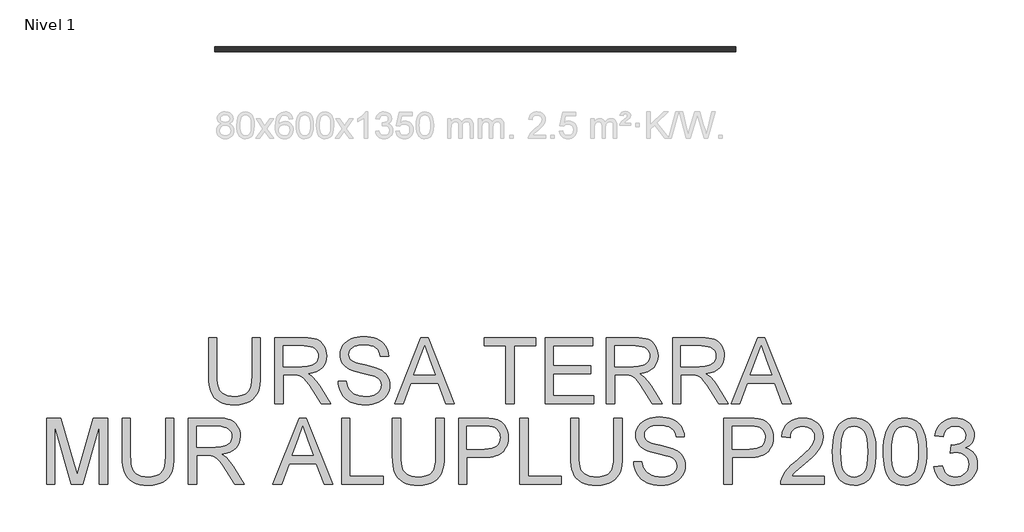
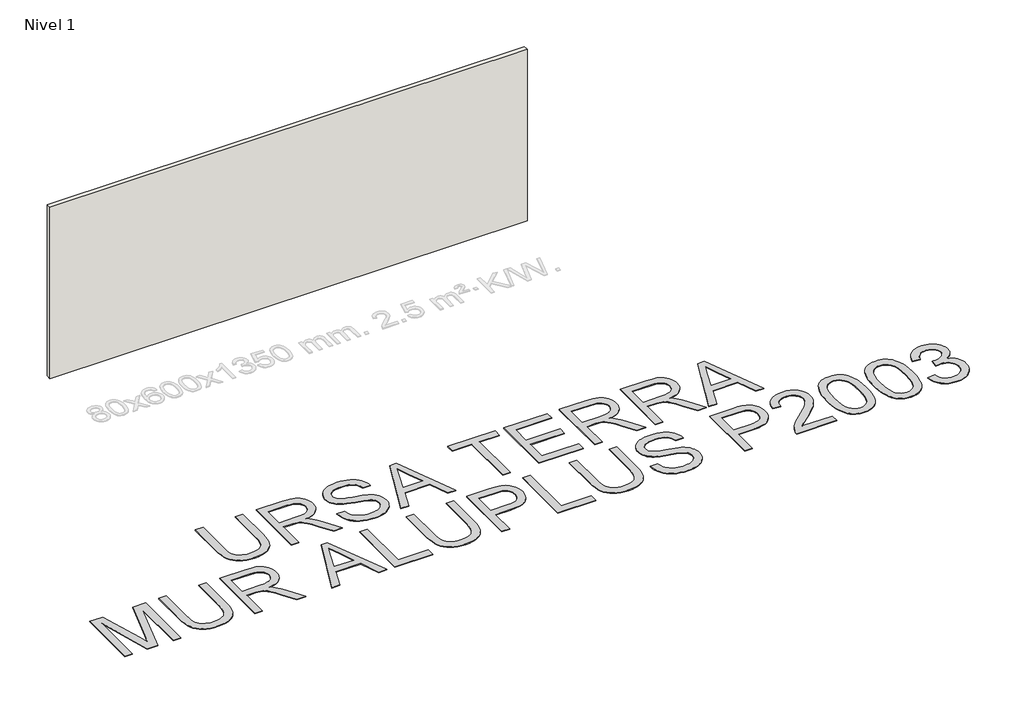
# One storey, part 1 of 2: 1 proxy, 1 wall.
"""IFC4 building model written with IfcOpenShell, lengths in millimetres."""

import ifcopenshell
import ifcopenshell.guid

model = None  # the IFC model being written
_history = None  # IfcOwnerHistory: only IFC2X3 demands one
_inside = {}  # id of a spatial element -> (the spatial element, [elements in it])
_under = {}  # id of a project, library or spatial element -> (it, [spatial elements below it])
_declared = {}  # id of a project -> (the project, [libraries it declares])
_typed = {}  # id of a type object -> (the type object, [elements of that type])
_made_of = {}  # id of a material, layer set ... -> (it, [elements and type objects made of it])


def new_model(schema):
    """Start an empty IFC model of exactly this schema.

    Asked for "IFC4X3", IfcOpenShell would pick the latest addendum, in which some entities
    have other attributes; the version numbers below select the first issue.
    IFC2X3 requires an IfcOwnerHistory on every rooted entity: one is made here for all.
    """
    global model, _history
    if schema == "IFC4X3":
        model = ifcopenshell.file(schema_version=(4, 3, 0, 0))
    else:
        model = ifcopenshell.file(schema=schema)
    _inside.clear()
    _under.clear()
    _declared.clear()
    _typed.clear()
    _made_of.clear()
    _history = None
    if model.schema == "IFC2X3":
        org = make("IfcOrganization", Name="unknown")
        user = make(
            "IfcPersonAndOrganization",
            ThePerson=make("IfcPerson", FamilyName="unknown"),
            TheOrganization=org,
        )
        app = make(
            "IfcApplication",
            ApplicationDeveloper=org,
            Version="unknown",
            ApplicationFullName="unknown",
            ApplicationIdentifier="unknown",
        )
        _history = make(
            "IfcOwnerHistory",
            OwningUser=user,
            OwningApplication=app,
            ChangeAction="ADDED",
            CreationDate=0,
        )
    return model


def make(cls, **values):
    """One entity of the class cls with the attributes given. An attribute that is None is left unset."""
    return model.create_entity(
        cls, **{name: value for name, value in values.items() if value is not None}
    )


def rooted(cls, **values):
    """An entity with a GlobalId (a new one), such as an element, a storey or a relation."""
    return make(cls, GlobalId=ifcopenshell.guid.new(), OwnerHistory=_history, **values)


def si_unit(unit_type, name, prefix=None):
    """IfcSIUnit, for example si_unit("LENGTHUNIT", "METRE", prefix="MILLI")."""
    return make("IfcSIUnit", UnitType=unit_type, Prefix=prefix, Name=name)


def assignment(units):
    """IfcUnitAssignment: the units of a project."""
    return None if units is None else make("IfcUnitAssignment", Units=units)


def point(xyz):
    """IfcCartesianPoint."""
    return None if xyz is None else make("IfcCartesianPoint", Coordinates=xyz)


def direction(xyz):
    """IfcDirection."""
    return None if xyz is None else make("IfcDirection", DirectionRatios=xyz)


def frame(location, z_axis=None, x_axis=None):
    """IfcAxis2Placement3D, a coordinate frame: its origin and axes. An axis left out is left unset."""
    return make(
        "IfcAxis2Placement3D",
        Location=point(location),
        Axis=direction(z_axis),
        RefDirection=direction(x_axis),
    )


def origin():
    """The frame at (0, 0, 0) with its axes left unset."""
    return frame((0.0, 0.0, 0.0))


def origin_with_axes():
    """The frame at (0, 0, 0) with the z axis (0, 0, 1) and the x axis (1, 0, 0) written out."""
    return frame((0.0, 0.0, 0.0), z_axis=(0.0, 0.0, 1.0), x_axis=(1.0, 0.0, 0.0))


def place(relative_to, where):
    """IfcLocalPlacement: puts the frame where relative to a parent placement (None: the world)."""
    return make(
        "IfcLocalPlacement", PlacementRelTo=relative_to, RelativePlacement=where
    )


def context(
    kind, dimensions, precision=None, world=None, true_north=None, identifier=None
):
    """IfcGeometricRepresentationContext, for example the 3D "Model" context."""
    return make(
        "IfcGeometricRepresentationContext",
        ContextIdentifier=identifier,
        ContextType=kind,
        CoordinateSpaceDimension=dimensions,
        Precision=precision,
        WorldCoordinateSystem=world,
        TrueNorth=true_north,
    )


def project(units=None, contexts=None):
    """IfcProject with its units and contexts."""
    return rooted(
        "IfcProject",
        Name="project",
        RepresentationContexts=contexts,
        UnitsInContext=assignment(units),
    )


def spatial(cls, under=None, at=None, **own):
    """A site, building, storey or space (cls), placed at a placement, below another one or the project."""
    s = rooted(cls, ObjectPlacement=at, **own)
    if under is not None:
        _under.setdefault(under.id(), (under, []))[1].append(s)
    return s


def polyline(points):
    """IfcPolyline through the points."""
    return make("IfcPolyline", Points=[point(p) for p in points])


def outline(outer, holes=None, kind="AREA"):
    """IfcArbitraryClosedProfileDef: a profile drawn as a closed curve; with holes, ...WithVoids."""
    if holes is None:
        return make("IfcArbitraryClosedProfileDef", ProfileType=kind, OuterCurve=outer)
    return make(
        "IfcArbitraryProfileDefWithVoids",
        ProfileType=kind,
        OuterCurve=outer,
        InnerCurves=holes,
    )


def extrude(swept, where, along, depth):
    """IfcExtrudedAreaSolid: the profile swept, set in the frame where, extruded along a direction by depth."""
    return make(
        "IfcExtrudedAreaSolid",
        SweptArea=swept,
        Position=where,
        ExtrudedDirection=direction(along),
        Depth=depth,
    )


def shape(context_of_items, identifier, shape_type, items):
    """IfcShapeRepresentation: the items that make up one representation, for example the "Body"."""
    return make(
        "IfcShapeRepresentation",
        ContextOfItems=context_of_items,
        RepresentationIdentifier=identifier,
        RepresentationType=shape_type,
        Items=items,
    )


def made_of(thing, what):
    """Note that an element or type object is made of a material, layer set ...; save() writes the relation."""
    if what is not None:
        _made_of.setdefault(what.id(), (what, []))[1].append(thing)
    return thing


def element(
    cls,
    number,
    at=None,
    inside=None,
    cuts=None,
    type_object=None,
    material=None,
    context=None,
    identifier="Body",
    shape_type=None,
    held_by="IfcProductDefinitionShape",
    body=None,
    shapes=None,
    **own,
):
    """One element of the class cls, such as IfcWall. Its Tag is "e" and its number.

    at: its placement. inside: the storey or other place that contains it. cuts: it is an
    opening in that element (IfcRelVoidsElement). A single representation is given by context,
    identifier, shape_type and body (its items); several are given by shapes. held_by: the class
    of the entity that holds the representations. save() writes the other relations.
    """
    e = rooted(cls, Tag="e%d" % number, ObjectPlacement=at, **own)
    if body is not None:
        shapes = [shape(context, identifier, shape_type, body)]
    if shapes is not None:
        e.Representation = make(held_by, Representations=shapes)
    if inside is not None:
        _inside.setdefault(inside.id(), (inside, []))[1].append(e)
    if cuts is not None:
        rooted(
            "IfcRelVoidsElement", RelatingBuildingElement=cuts, RelatedOpeningElement=e
        )
    if type_object is not None:
        _typed.setdefault(type_object.id(), (type_object, []))[1].append(e)
    return made_of(e, material)


def aggregate(whole, parts):
    """IfcRelAggregates: a whole, such as a stair, and the parts it consists of."""
    return rooted("IfcRelAggregates", RelatingObject=whole, RelatedObjects=parts)


def save(model, path):
    """Write the relations noted so far, then the file.

    IfcRelAggregates (storeys below a building ...), IfcRelContainedInSpatialStructure (elements
    in a storey), IfcRelDefinesByType, IfcRelAssociatesMaterial and IfcRelDeclares: one each for
    every whole, place, type object, material and project.
    """
    for whole, parts in _under.values():
        aggregate(whole, parts)
    for where, things in _inside.values():
        rooted(
            "IfcRelContainedInSpatialStructure",
            RelatedElements=things,
            RelatingStructure=where,
        )
    for kind, things in _typed.values():
        rooted("IfcRelDefinesByType", RelatedObjects=things, RelatingType=kind)
    for what, things in _made_of.values():
        rooted("IfcRelAssociatesMaterial", RelatedObjects=things, RelatingMaterial=what)
    for by, libraries in _declared.values():
        rooted("IfcRelDeclares", RelatingContext=by, RelatedDefinitions=libraries)
    model.write(path)


model = new_model("IFC4")

# Units and contexts
model_context = context("Model", 3, world=origin())
ifc_project = project(units=[si_unit("LENGTHUNIT", "METRE", prefix="MILLI")], contexts=[model_context])

# Site, building, storey
site = spatial("IfcSite", under=ifc_project)
building = spatial("IfcBuilding", under=site)
storey = spatial("IfcBuildingStorey", under=building, Name="Nivel 1", Elevation=0.0)

# Proxy
placement = place(None, origin())
element("IfcBuildingElementProxy", 1, Name="Texto de modelo 2", ObjectType="Texto de modelo 2", at=placement, inside=storey, context=model_context, shape_type="SweptSolid", body=[
    extrude(outline(polyline([(336.8582769, -410.7511864), (462.4286646, -410.7511864), (462.4286646, -990.2879561), (460.2980147, -1062.0479378), (453.9060651, -1126.0057555), (443.2528156, -1182.1614092), (428.3382664, -1230.514899), (407.8748304, -1272.8979705), (380.5749207, -1311.1423696), (346.4385372, -1345.2480962), (305.46568, -1375.2151504), (257.6103638, -1399.6256536), (202.8266033, -1417.0617274), (141.1143987, -1427.5233716), (72.4737497, -1431.0105863), (5.5268908, -1427.9755599), (-55.0280184, -1418.8704805), (-109.190978, -1403.6953482), (-156.9619879, -1382.450163), (-198.3487124, -1355.4491574), (-233.3588156, -1323.0065639), (-261.9922976, -1285.1223826), (-284.2491583, -1241.7966135), (-300.9341396, -1191.5424001), (-312.8519834, -1132.8728861), (-320.0026897, -1065.7880714), (-322.3862584, -990.2879561), (-322.3862584, -410.7511864), (-196.8158708, -410.7511864), (-196.8158708, -985.8733722), (-195.2677007, -1046.5815656), (-190.6231905, -1098.7211742), (-182.8823402, -1142.292198), (-172.0451497, -1177.294637), (-157.4371688, -1206.2576799), (-138.3839472, -1231.7105155), (-114.8854847, -1253.6531436), (-86.9417815, -1272.0855644), (-55.0893321, -1286.6782169), (-19.8646311, -1297.1015401), (18.7323216, -1303.355534), (60.7015259, -1305.4401987), (129.9093262, -1301.3168546), (188.4178919, -1288.9468225), (236.2272228, -1268.3301024), (256.1196753, -1254.9292343), (273.3373191, -1239.4666942), (288.2250436, -1221.0725944), (301.1277381, -1198.8770474), (320.9780375, -1143.0816114), (332.8882171, -1072.0803864), (336.8582769, -985.8733722), (336.8582769, -410.7511864)])), origin_with_axes(), (0.0, 0.0, 1.0), 10.0),
    extrude(outline(polyline([(682.1768431, -1415.3142879), (682.1768431, -410.7511864), (1115.0513241, -410.7511864), (1177.1850602, -412.4449764), (1231.394005, -417.5263465), (1277.6781585, -425.9952966), (1316.0375207, -437.8518267), (1348.7023762, -454.0079776), (1377.9030096, -475.3757902), (1403.6394209, -501.9552644), (1425.91161, -533.7464001), (1443.8841783, -569.040079), (1456.7217271, -606.1271827), (1464.4242563, -645.007711), (1466.9917661, -685.6816641), (1462.7381305, -737.2771139), (1449.9772238, -784.6419208), (1428.709046, -827.7760847), (1398.933597, -866.6796057), (1360.2676665, -900.1108821), (1312.328044, -926.828312), (1255.1147295, -946.8318954), (1188.6277231, -960.1216325), (1230.0144475, -987.1609592), (1259.9968301, -1013.8324038), (1311.4389958, -1074.8395013), (1361.7775155, -1143.0816114), (1529.2864506, -1415.3142879), (1383.3599259, -1415.3142879), (1252.6391902, -1207.0930786), (1200.3386333, -1127.6305677), (1158.2161448, -1069.2599577), (1123.1140711, -1029.0688498), (1091.8747584, -1004.1448446), (1062.2909146, -989.5215353), (1032.1552478, -980.2325149), (959.3146128, -975.817931), (807.7472307, -975.817931), (807.7472307, -1415.3142879), (682.1768431, -1415.3142879)]), holes=[polyline([(807.7472307, -850.2475433), (1088.8090751, -850.2475433), (1169.5285162, -845.8023025), (1232.1604258, -832.4665802), (1257.3450141, -822.2425264), (1279.3106349, -809.3513282), (1298.0572882, -793.7929854), (1313.5849741, -775.5674983), (1325.763401, -755.571579), (1334.4622773, -734.70194), (1339.6816031, -712.9585812), (1341.4213784, -690.3415027), (1338.1027763, -658.2284702), (1328.1469698, -629.0891505), (1311.5539589, -602.9235436), (1288.3237438, -579.7316495), (1257.9198297, -560.7397415), (1219.8057222, -547.1740929), (1173.9814212, -539.0347038), (1120.4469266, -536.3215741), (807.7472307, -536.3215741), (807.7472307, -850.2475433)])]), origin_with_axes(), (0.0, 0.0, 1.0), 10.0),
    extrude(outline(polyline([(1639.6510492, -1069.9957217), (1765.2214369, -1069.9957217), (1770.969593, -1106.5463308), (1779.6301483, -1139.678703), (1791.2031028, -1169.3928383), (1805.6884563, -1195.6887368), (1823.821973, -1219.0952287), (1846.3394168, -1240.1411445), (1873.2407877, -1258.8264842), (1904.5260857, -1275.1512477), (1939.0456796, -1288.4026638), (1975.6499381, -1297.8679609), (2014.3388613, -1303.5471392), (2055.1124491, -1305.4401987), (2125.0713418, -1299.7073709), (2156.7858355, -1292.5413362), (2186.323694, -1282.5088876), (2212.9568176, -1269.970243), (2235.9571065, -1255.28562), (2255.3245607, -1238.4550187), (2271.0591802, -1219.4784391), (2283.2376071, -1199.1759515), (2291.9364835, -1178.3676262), (2297.1558093, -1157.0534631), (2298.8955845, -1135.2334622), (2293.6839229, -1093.2029443), (2278.0489381, -1056.8745972), (2264.8971568, -1040.7567673), (2246.2884592, -1025.8805392), (2222.2228454, -1012.2459127), (2192.7003153, -999.852888), (2126.3895856, -980.1405444), (2009.8629637, -951.9056013), (1889.8414627, -920.1757792), (1846.0405127, -904.8856838), (1813.0460962, -889.9787988), (1779.5151852, -869.9752153), (1750.5368139, -847.733683), (1726.1109822, -823.2542019), (1706.2376903, -796.536772), (1690.840296, -767.8573048), (1679.8421571, -737.4917118), (1673.2432739, -705.4399929), (1671.0436461, -671.7021483), (1673.76444, -634.3084763), (1681.9268218, -598.1564061), (1695.5307914, -563.2459376), (1714.5763489, -529.5770708), (1738.8488963, -498.5216991), (1768.133836, -471.4517156), (1802.4311678, -448.3671204), (1841.7408919, -429.2679135), (1884.7371, -414.2997148), (1930.0938844, -403.6081443), (1977.8112448, -397.193202), (2027.8891814, -395.0548879), (2082.5196577, -397.2928367), (2133.839196, -404.0066831), (2181.8477964, -415.1964272), (2226.5454588, -430.8620688), (2267.1044488, -450.8656523), (2302.6970318, -475.0692219), (2333.3232079, -503.4727776), (2358.9829771, -536.0763194), (2379.4770699, -571.9294855), (2394.6062169, -610.0819141), (2404.3704182, -650.5336052), (2408.7696738, -693.2845587), (2283.1992861, -693.2845587), (2274.7993138, -653.216078), (2260.1453477, -618.359259), (2239.2373876, -588.7141016), (2212.0754337, -564.2806057), (2178.153648, -545.1813988), (2136.966193, -531.5391081), (2088.5130685, -523.3537337), (2032.7942747, -520.6252756), (1975.2973845, -523.3230769), (1926.1698097, -531.4164808), (1885.4115504, -544.9054873), (1853.0226064, -563.7900964), (1828.3438559, -586.4914812), (1810.7161769, -611.4308148), (1800.1395696, -638.6080971), (1796.6140338, -668.0233283), (1799.1125657, -693.3305439), (1806.6081613, -716.2771834), (1819.1008207, -736.8632467), (1836.5905439, -755.0887339), (1864.1203799, -772.3485308), (1907.4691417, -789.7922687), (1966.6368292, -807.4199477), (2041.6234426, -825.2315676), (2180.0697001, -858.8927702), (2228.7834076, -874.1138877), (2263.8241677, -888.2620161), (2302.3214856, -909.7064708), (2335.4078726, -933.8180699), (2363.0833285, -960.5968134), (2385.3478534, -990.0427015), (2402.4620304, -1022.0024498), (2414.6864425, -1056.3227743), (2422.0210898, -1093.0036749), (2424.4659722, -1132.0451516), (2421.6532078, -1171.3242188), (2413.2149145, -1209.4536547), (2399.1510924, -1246.4334595), (2379.4617415, -1282.263633), (2354.4917511, -1315.5569535), (2324.5860105, -1344.9261995), (2289.7445199, -1370.3713708), (2249.9672792, -1391.8924675), (2206.4115838, -1409.0066445), (2160.2347292, -1421.2310566), (2111.4367154, -1428.5657039), (2060.0175423, -1431.0105863), (1995.7838131, -1428.3740987), (1936.9916718, -1420.4646358), (1883.6411183, -1407.2821977), (1835.7321526, -1388.8267842), (1792.9735349, -1365.0677387), (1755.0740252, -1335.9744043), (1722.0336235, -1301.5467809), (1693.8523298, -1261.7848686), (1671.150945, -1217.9762543), (1654.55027, -1171.4085251), (1644.0503047, -1122.0816809), (1639.6510492, -1069.9957217)])), origin_with_axes(), (0.0, 0.0, 1.0), 10.0),
    extrude(outline(polyline([(2495.8350793, -1415.3142879), (2896.826454, -410.7511864), (3003.7574873, -410.7511864), (3404.748862, -1415.3142879), (3272.0660891, -1415.3142879), (3157.0416519, -1101.3883187), (2743.2970347, -1101.3883187), (2628.5178522, -1415.3142879), (2495.8350793, -1415.3142879)]), holes=[polyline([(2789.4049114, -975.817931), (3111.1790299, -975.817931), (3020.6800591, -728.8464849), (2950.2919707, -536.3215741), (2887.7520315, -707.2640745), (2789.4049114, -975.817931)])]), origin_with_axes(), (0.0, 0.0, 1.0), 10.0),
    extrude(outline(polyline([(4182.4513998, -1415.3142879), (4182.4513998, -536.3215741), (3852.8291322, -536.3215741), (3852.8291322, -410.7511864), (4637.6440552, -410.7511864), (4637.6440552, -536.3215741), (4308.0217875, -536.3215741), (4308.0217875, -1415.3142879), (4182.4513998, -1415.3142879)])), origin_with_axes(), (0.0, 0.0, 1.0), 10.0),
    extrude(outline(polyline([(4778.9107413, -1415.3142879), (4778.9107413, -410.7511864), (5500.9404705, -410.7511864), (5500.9404705, -536.3215741), (4904.481129, -536.3215741), (4904.481129, -834.5512448), (5469.5478736, -834.5512448), (5469.5478736, -960.1216325), (4904.481129, -960.1216325), (4904.481129, -1289.7439002), (5516.636769, -1289.7439002), (5516.636769, -1415.3142879), (4778.9107413, -1415.3142879)])), origin_with_axes(), (0.0, 0.0, 1.0), 10.0),
    extrude(outline(polyline([(5704.9923505, -1415.3142879), (5704.9923505, -410.7511864), (6137.8668315, -410.7511864), (6200.0005677, -412.4449764), (6254.2095125, -417.5263465), (6300.493666, -425.9952966), (6338.8530282, -437.8518267), (6371.5178837, -454.0079776), (6400.7185171, -475.3757902), (6426.4549283, -501.9552644), (6448.7271175, -533.7464001), (6466.6996858, -569.040079), (6479.5372346, -606.1271827), (6487.2397638, -645.007711), (6489.8072736, -685.6816641), (6485.553638, -737.2771139), (6472.7927313, -784.6419208), (6451.5245535, -827.7760847), (6421.7491045, -866.6796057), (6383.0831739, -900.1108821), (6335.1435514, -926.828312), (6277.930237, -946.8318954), (6211.4432306, -960.1216325), (6252.829955, -987.1609592), (6282.8123376, -1013.8324038), (6334.2545033, -1074.8395013), (6384.593023, -1143.0816114), (6552.1019581, -1415.3142879), (6406.1754333, -1415.3142879), (6275.4546977, -1207.0930786), (6223.1541407, -1127.6305677), (6181.0316523, -1069.2599577), (6145.9295786, -1029.0688498), (6114.6902658, -1004.1448446), (6085.1064221, -989.5215353), (6054.9707553, -980.2325149), (5982.1301202, -975.817931), (5830.5627382, -975.817931), (5830.5627382, -1415.3142879), (5704.9923505, -1415.3142879)]), holes=[polyline([(5830.5627382, -850.2475433), (6111.6245825, -850.2475433), (6192.3440236, -845.8023025), (6254.9759333, -832.4665802), (6280.1605216, -822.2425264), (6302.1261424, -809.3513282), (6320.8727957, -793.7929854), (6336.4004816, -775.5674983), (6348.5789085, -755.571579), (6357.2777848, -734.70194), (6362.4971106, -712.9585812), (6364.2368859, -690.3415027), (6360.9182837, -658.2284702), (6350.9624772, -629.0891505), (6334.3694664, -602.9235436), (6311.1392513, -579.7316495), (6280.7353372, -560.7397415), (6242.6212297, -547.1740929), (6196.7969286, -539.0347038), (6143.2624341, -536.3215741), (5830.5627382, -536.3215741), (5830.5627382, -850.2475433)])]), origin_with_axes(), (0.0, 0.0, 1.0), 10.0),
    extrude(outline(polyline([(6709.555452, -1415.3142879), (6709.555452, -410.7511864), (7142.429933, -410.7511864), (7204.5636692, -412.4449764), (7258.772614, -417.5263465), (7305.0567675, -425.9952966), (7343.4161297, -437.8518267), (7376.0809852, -454.0079776), (7405.2816186, -475.3757902), (7431.0180298, -501.9552644), (7453.290219, -533.7464001), (7471.2627873, -569.040079), (7484.100336, -606.1271827), (7491.8028653, -645.007711), (7494.3703751, -685.6816641), (7490.1167395, -737.2771139), (7477.3558328, -784.6419208), (7456.087655, -827.7760847), (7426.312206, -866.6796057), (7387.6462754, -900.1108821), (7339.7066529, -926.828312), (7282.4933385, -946.8318954), (7216.0063321, -960.1216325), (7257.3930565, -987.1609592), (7287.3754391, -1013.8324038), (7338.8176048, -1074.8395013), (7389.1561245, -1143.0816114), (7556.6650596, -1415.3142879), (7410.7385348, -1415.3142879), (7280.0177992, -1207.0930786), (7227.7172422, -1127.6305677), (7185.5947538, -1069.2599577), (7150.4926801, -1029.0688498), (7119.2533673, -1004.1448446), (7089.6695236, -989.5215353), (7059.5338568, -980.2325149), (6986.6932217, -975.817931), (6835.1258397, -975.817931), (6835.1258397, -1415.3142879), (6709.555452, -1415.3142879)]), holes=[polyline([(6835.1258397, -850.2475433), (7116.187684, -850.2475433), (7196.9071251, -845.8023025), (7259.5390348, -832.4665802), (7284.7236231, -822.2425264), (7306.6892439, -809.3513282), (7325.4358972, -793.7929854), (7340.9635831, -775.5674983), (7353.14201, -755.571579), (7361.8408863, -734.70194), (7367.0602121, -712.9585812), (7368.7999874, -690.3415027), (7365.4813852, -658.2284702), (7355.5255787, -629.0891505), (7338.9325679, -602.9235436), (7315.7023528, -579.7316495), (7285.2984387, -560.7397415), (7247.1843312, -547.1740929), (7201.3600301, -539.0347038), (7147.8255356, -536.3215741), (6835.1258397, -536.3215741), (6835.1258397, -850.2475433)])]), origin_with_axes(), (0.0, 0.0, 1.0), 10.0),
    extrude(outline(polyline([(7597.1320791, -1415.3142879), (7998.1234538, -410.7511864), (8105.0544871, -410.7511864), (8506.0458618, -1415.3142879), (8373.3630889, -1415.3142879), (8258.3386517, -1101.3883187), (7844.5940345, -1101.3883187), (7729.814852, -1415.3142879), (7597.1320791, -1415.3142879)]), holes=[polyline([(7890.7019112, -975.817931), (8212.4760297, -975.817931), (8121.9770589, -728.8464849), (8051.5889704, -536.3215741), (7989.0490313, -707.2640745), (7890.7019112, -975.817931)])]), origin_with_axes(), (0.0, 0.0, 1.0), 10.0),
    extrude(outline(polyline([(-2778.8569676, -2635.0624663), (-2778.8569676, -1630.4993648), (-2562.7876091, -1630.4993648), (-2357.2642011, -2338.5495782), (-2315.816163, -2486.4381403), (-2270.9345596, -2326.286845), (-2068.8447169, -1630.4993648), (-1852.7753584, -1630.4993648), (-1852.7753584, -2635.0624663), (-1978.3457461, -2635.0624663), (-1978.3457461, -1756.0697525), (-2230.7127948, -2635.0624663), (-2400.9195312, -2635.0624663), (-2653.2865799, -1756.0697525), (-2653.2865799, -2635.0624663), (-2778.8569676, -2635.0624663)])), origin_with_axes(), (0.0, 0.0, 1.0), 10.0),
    extrude(outline(polyline([(-973.7826446, -1630.4993648), (-848.2122569, -1630.4993648), (-848.2122569, -2210.0361346), (-850.3429068, -2281.7961163), (-856.7348564, -2345.753934), (-867.3881059, -2401.9095877), (-882.3026551, -2450.2630774), (-902.7660911, -2492.6461489), (-930.0660008, -2530.890548), (-964.2023843, -2564.9962747), (-1005.1752415, -2594.9633289), (-1053.0305577, -2619.3738321), (-1107.8143181, -2636.8099058), (-1169.5265228, -2647.27155), (-1238.1671718, -2650.7587648), (-1305.1140307, -2647.7237383), (-1365.6689399, -2638.618659), (-1419.8318995, -2623.4435267), (-1467.6029094, -2602.1983414), (-1508.9896339, -2575.1973358), (-1543.9997371, -2542.7547424), (-1572.633219, -2504.8705611), (-1594.8900798, -2461.5447919), (-1611.5750611, -2411.2905786), (-1623.4929049, -2352.6210645), (-1630.6436112, -2285.5362499), (-1633.0271799, -2210.0361346), (-1633.0271799, -1630.4993648), (-1507.4567922, -1630.4993648), (-1507.4567922, -2205.6215506), (-1505.9086222, -2266.329744), (-1501.264112, -2318.4693526), (-1493.5232617, -2362.0403765), (-1482.6860712, -2397.0428155), (-1468.0780903, -2426.0058584), (-1449.0248687, -2451.4586939), (-1425.5264062, -2473.4013221), (-1397.582703, -2491.8337429), (-1365.7302536, -2506.4263954), (-1330.5055526, -2516.8497185), (-1291.9085999, -2523.1037125), (-1249.9393956, -2525.1883771), (-1180.7315953, -2521.0650331), (-1122.2230296, -2508.695001), (-1074.4136987, -2488.0782808), (-1054.5212462, -2474.6774127), (-1037.3036024, -2459.2148726), (-1022.4158779, -2440.8207729), (-1009.5131833, -2418.6252258), (-989.662884, -2362.8297899), (-977.7527044, -2291.8285648), (-973.7826446, -2205.6215506), (-973.7826446, -1630.4993648)])), origin_with_axes(), (0.0, 0.0, 1.0), 10.0),
    extrude(outline(polyline([(-628.4640784, -2635.0624663), (-628.4640784, -1630.4993648), (-195.5895974, -1630.4993648), (-133.4558613, -1632.1931549), (-79.2469165, -1637.2745249), (-32.9627629, -1645.743475), (5.3965993, -1657.6000051), (38.0614548, -1673.7561561), (67.2620881, -1695.1239687), (92.9984994, -1721.7034428), (115.2706885, -1753.4945786), (133.2432568, -1788.7882575), (146.0808056, -1825.8753611), (153.7833349, -1864.7558895), (156.3508446, -1905.4298426), (152.0972091, -1957.0252924), (139.3363023, -2004.3900993), (118.0681245, -2047.5242632), (88.2926755, -2086.4277842), (49.626745, -2119.8590605), (1.6871225, -2146.5764904), (-55.526192, -2166.5800739), (-122.0131984, -2179.869811), (-80.6264739, -2206.9091376), (-50.6440913, -2233.5805823), (0.7980743, -2294.5876798), (51.136594, -2362.8297899), (218.6455291, -2635.0624663), (72.7190044, -2635.0624663), (-58.0017312, -2426.8412571), (-110.3022882, -2347.3787461), (-152.4247767, -2289.0081362), (-187.5268504, -2248.8170282), (-218.7661631, -2223.8930231), (-248.3500069, -2209.2697137), (-278.4856737, -2199.9806934), (-351.3263087, -2195.5661094), (-502.8936907, -2195.5661094), (-502.8936907, -2635.0624663), (-628.4640784, -2635.0624663)]), holes=[polyline([(-502.8936907, -2069.9957217), (-221.8318464, -2069.9957217), (-141.1124053, -2065.550481), (-78.4804956, -2052.2147586), (-53.2959074, -2041.9907049), (-31.3302866, -2029.0995066), (-12.5836332, -2013.5411639), (2.9440526, -1995.3156767), (15.1224795, -1975.3197574), (23.8213559, -1954.4501184), (29.0406817, -1932.7067597), (30.7804569, -1910.0896812), (27.4618548, -1877.9766487), (17.5060483, -1848.837329), (0.9130374, -1822.6717221), (-22.3171777, -1799.479828), (-52.7210918, -1780.48792), (-90.8351993, -1766.9222714), (-136.6595003, -1758.7828822), (-190.1939948, -1756.0697525), (-502.8936907, -1756.0697525), (-502.8936907, -2069.9957217)])]), origin_with_axes(), (0.0, 0.0, 1.0), 10.0),
    extrude(outline(polyline([(651.5200101, -2635.0624663), (1052.5113849, -1630.4993648), (1159.4424181, -1630.4993648), (1560.4337929, -2635.0624663), (1427.75102, -2635.0624663), (1312.7265828, -2321.1364971), (898.9819655, -2321.1364971), (784.2027831, -2635.0624663), (651.5200101, -2635.0624663)]), holes=[polyline([(945.0898423, -2195.5661094), (1266.8639607, -2195.5661094), (1176.3649899, -1948.5946633), (1105.9769015, -1756.0697525), (1043.4369623, -1927.0122529), (945.0898423, -2195.5661094)])]), origin_with_axes(), (0.0, 0.0, 1.0), 10.0),
    extrude(outline(polyline([(1694.5880938, -2635.0624663), (1694.5880938, -1630.4993648), (1820.1584815, -1630.4993648), (1820.1584815, -2509.4920786), (2322.4400322, -2509.4920786), (2322.4400322, -2635.0624663), (1694.5880938, -2635.0624663)])), origin_with_axes(), (0.0, 0.0, 1.0), 10.0),
    extrude(outline(polyline([(3122.9512537, -1630.4993648), (3248.5216414, -1630.4993648), (3248.5216414, -2210.0361346), (3246.3909915, -2281.7961163), (3239.9990419, -2345.753934), (3229.3457924, -2401.9095877), (3214.4312432, -2450.2630774), (3193.9678072, -2492.6461489), (3166.6678975, -2530.890548), (3132.531514, -2564.9962747), (3091.5586568, -2594.9633289), (3043.7033406, -2619.3738321), (2988.9195801, -2636.8099058), (2927.2073755, -2647.27155), (2858.5667265, -2650.7587648), (2791.6198676, -2647.7237383), (2731.0649584, -2638.618659), (2676.9019988, -2623.4435267), (2629.1309889, -2602.1983414), (2587.7442644, -2575.1973358), (2552.7341612, -2542.7547424), (2524.1006792, -2504.8705611), (2501.8438185, -2461.5447919), (2485.1588372, -2411.2905786), (2473.2409934, -2352.6210645), (2466.0902871, -2285.5362499), (2463.7067184, -2210.0361346), (2463.7067184, -1630.4993648), (2589.2771061, -1630.4993648), (2589.2771061, -2205.6215506), (2590.8252761, -2266.329744), (2595.4697863, -2318.4693526), (2603.2106366, -2362.0403765), (2614.0478271, -2397.0428155), (2628.655808, -2426.0058584), (2647.7090296, -2451.4586939), (2671.2074921, -2473.4013221), (2699.1511953, -2491.8337429), (2731.0036447, -2506.4263954), (2766.2283457, -2516.8497185), (2804.8252984, -2523.1037125), (2846.7945027, -2525.1883771), (2916.002303, -2521.0650331), (2974.5108687, -2508.695001), (3022.3201996, -2488.0782808), (3042.2126521, -2474.6774127), (3059.4302959, -2459.2148726), (3074.3180204, -2440.8207729), (3087.2207149, -2418.6252258), (3107.0710143, -2362.8297899), (3118.9811939, -2291.8285648), (3122.9512537, -2205.6215506), (3122.9512537, -1630.4993648)])), origin_with_axes(), (0.0, 0.0, 1.0), 10.0),
    extrude(outline(polyline([(3468.2698199, -2635.0624663), (3468.2698199, -1630.4993648), (3840.566399, -1630.4993648), (3927.2639225, -1632.8905978), (3990.662253, -1640.0642967), (4025.6033783, -1647.5982134), (4057.5861193, -1657.9372303), (4086.6104759, -1671.0813474), (4112.6764481, -1687.0305648), (4136.0599474, -1706.1144433), (4157.0368853, -1728.6625439), (4175.6072619, -1754.6748666), (4191.771077, -1784.1514115), (4204.8615447, -1816.118824), (4214.2118788, -1849.6037498), (4219.8220792, -1884.6061888), (4221.692146, -1921.126141), (4216.6414328, -1982.7923605), (4201.4892931, -2039.5228298), (4176.235727, -2091.317549), (4140.8807344, -2138.1765182), (4118.6449502, -2158.9848435), (4092.3433036, -2177.0187255), (4061.9757946, -2192.2781641), (4027.542423, -2204.7631593), (3989.043189, -2214.4737111), (3946.4780926, -2221.4098196), (3849.1503122, -2226.9587063), (3593.8402076, -2226.9587063), (3593.8402076, -2635.0624663), (3468.2698199, -2635.0624663)]), holes=[polyline([(3593.8402076, -2101.3883187), (3856.5079521, -2101.3883187), (3916.901913, -2098.5065764), (3967.8535693, -2089.8613495), (4009.3629211, -2075.452638), (4041.4299683, -2055.2804419), (4065.3576265, -2029.8812558), (4082.4488108, -1999.7915743), (4092.7035214, -1965.0113974), (4096.1217583, -1925.540725), (4094.1060715, -1896.2327927), (4088.0590112, -1869.1321524), (4077.9805774, -1844.238804), (4063.8707701, -1821.5527477), (4046.4806816, -1801.8097473), (4026.5614044, -1785.7455668), (4004.1129385, -1773.3602063), (3979.1352838, -1764.6536657), (3930.6974878, -1758.2157308), (3853.5648961, -1756.0697525), (3593.8402076, -1756.0697525), (3593.8402076, -2101.3883187)])]), origin_with_axes(), (0.0, 0.0, 1.0), 10.0),
    extrude(outline(polyline([(4394.3514291, -2635.0624663), (4394.3514291, -1630.4993648), (4519.9218167, -1630.4993648), (4519.9218167, -2509.4920786), (5022.2033675, -2509.4920786), (5022.2033675, -2635.0624663), (4394.3514291, -2635.0624663)])), origin_with_axes(), (0.0, 0.0, 1.0), 10.0),
    extrude(outline(polyline([(5822.714589, -1630.4993648), (5948.2849767, -1630.4993648), (5948.2849767, -2210.0361346), (5946.1543268, -2281.7961163), (5939.7623771, -2345.753934), (5929.1091277, -2401.9095877), (5914.1945785, -2450.2630774), (5893.7311425, -2492.6461489), (5866.4312328, -2530.890548), (5832.2948493, -2564.9962747), (5791.3219921, -2594.9633289), (5743.4666759, -2619.3738321), (5688.6829154, -2636.8099058), (5626.9707107, -2647.27155), (5558.3300618, -2650.7587648), (5491.3832029, -2647.7237383), (5430.8282936, -2638.618659), (5376.6653341, -2623.4435267), (5328.8943241, -2602.1983414), (5287.5075997, -2575.1973358), (5252.4974965, -2542.7547424), (5223.8640145, -2504.8705611), (5201.6071538, -2461.5447919), (5184.9221725, -2411.2905786), (5173.0043287, -2352.6210645), (5165.8536224, -2285.5362499), (5163.4700536, -2210.0361346), (5163.4700536, -1630.4993648), (5289.0404413, -1630.4993648), (5289.0404413, -2205.6215506), (5290.5886114, -2266.329744), (5295.2331216, -2318.4693526), (5302.9739719, -2362.0403765), (5313.8111623, -2397.0428155), (5328.4191432, -2426.0058584), (5347.4723649, -2451.4586939), (5370.9708273, -2473.4013221), (5398.9145306, -2491.8337429), (5430.76698, -2506.4263954), (5465.991681, -2516.8497185), (5504.5886337, -2523.1037125), (5546.5578379, -2525.1883771), (5615.7656383, -2521.0650331), (5674.2742039, -2508.695001), (5722.0835349, -2488.0782808), (5741.9759874, -2474.6774127), (5759.1936312, -2459.2148726), (5774.0813557, -2440.8207729), (5786.9840502, -2418.6252258), (5806.8343495, -2362.8297899), (5818.7445291, -2291.8285648), (5822.714589, -2205.6215506), (5822.714589, -1630.4993648)])), origin_with_axes(), (0.0, 0.0, 1.0), 10.0),
    extrude(outline(polyline([(6120.9442598, -2289.7439002), (6246.5146474, -2289.7439002), (6252.2628036, -2326.2945093), (6260.9233589, -2359.4268814), (6272.4963133, -2389.1410168), (6286.9816669, -2415.4369152), (6305.1151836, -2438.8434072), (6327.6326274, -2459.889323), (6354.5339983, -2478.5746626), (6385.8192963, -2494.8994262), (6420.3388902, -2508.1508422), (6456.9431487, -2517.6161394), (6495.6320718, -2523.2953177), (6536.4056596, -2525.1883771), (6606.3645524, -2519.4555493), (6638.0790461, -2512.2895146), (6667.6169046, -2502.2570661), (6694.2500282, -2489.7184214), (6717.2503171, -2475.0337984), (6736.6177713, -2458.2031972), (6752.3523908, -2439.2266176), (6764.5308177, -2418.92413), (6773.229694, -2398.1158046), (6778.4490198, -2376.8016415), (6780.1887951, -2354.9816407), (6774.9771335, -2312.9511227), (6759.3421487, -2276.6227757), (6746.1903674, -2260.5049458), (6727.5816698, -2245.6287176), (6703.5160559, -2231.9940912), (6673.9935258, -2219.6010664), (6607.6827962, -2199.8887229), (6491.1561742, -2171.6537797), (6371.1346733, -2139.9239577), (6327.3337233, -2124.6338622), (6294.3393068, -2109.7269772), (6260.8083958, -2089.7233937), (6231.8300245, -2067.4818614), (6207.4041928, -2043.0023803), (6187.5309009, -2016.2849504), (6172.1335065, -1987.6054832), (6161.1353677, -1957.2398902), (6154.5364844, -1925.1881714), (6152.3368567, -1891.4503267), (6155.0576506, -1854.0566548), (6163.2200324, -1817.9045845), (6176.824002, -1782.994116), (6195.8695594, -1749.3252493), (6220.1421069, -1718.2698775), (6249.4270466, -1691.199894), (6283.7243784, -1668.1152988), (6323.0341024, -1649.0160919), (6366.0303106, -1634.0478932), (6411.3870949, -1623.3563228), (6459.1044554, -1616.9413805), (6509.182392, -1614.8030664), (6563.8128683, -1617.0410152), (6615.1324066, -1623.7548616), (6663.141007, -1634.9446056), (6707.8386694, -1650.6102472), (6748.3976594, -1670.6138307), (6783.9902424, -1694.8174003), (6814.6164185, -1723.220956), (6840.2761877, -1755.8244979), (6860.7702805, -1791.677664), (6875.8994275, -1829.8300926), (6885.6636288, -1870.2817836), (6890.0628843, -1913.0327371), (6764.4924966, -1913.0327371), (6756.0925244, -1872.9642565), (6741.4385583, -1838.1074374), (6720.5305982, -1808.46228), (6693.3686442, -1784.0287842), (6659.4468586, -1764.9295772), (6618.2594036, -1751.2872866), (6569.8062791, -1743.1019122), (6514.0874853, -1740.3734541), (6456.5905951, -1743.0712554), (6407.4630203, -1751.1646593), (6366.7047609, -1764.6536657), (6334.315817, -1783.5382748), (6309.6370664, -1806.2396596), (6292.0093875, -1831.1789932), (6281.4327801, -1858.3562756), (6277.9072444, -1887.7715068), (6280.4057762, -1913.0787224), (6287.9013719, -1936.0253618), (6300.3940313, -1956.6114251), (6317.8837545, -1974.8369123), (6345.4135905, -1992.0967093), (6388.7623522, -2009.5404472), (6447.9300398, -2027.1681261), (6522.9166531, -2044.9797461), (6661.3629107, -2078.6409486), (6710.0766182, -2093.8620662), (6745.1173782, -2108.0101946), (6783.6146962, -2129.4546492), (6816.7010831, -2153.5662483), (6844.3765391, -2180.3449919), (6866.641064, -2209.7908799), (6883.755241, -2241.7506282), (6895.9796531, -2276.0709527), (6903.3143004, -2312.7518533), (6905.7591828, -2351.79333), (6902.9464184, -2391.0723972), (6894.5081251, -2429.2018332), (6880.444303, -2466.1816379), (6860.7549521, -2502.0118114), (6835.7849616, -2535.305132), (6805.8792211, -2564.6743779), (6771.0377305, -2590.1195493), (6731.2604898, -2611.640646), (6687.7047944, -2628.754823), (6641.5279398, -2640.9792351), (6592.7299259, -2648.3138824), (6541.3107529, -2650.7587648), (6477.0770237, -2648.1222772), (6418.2848824, -2640.2128143), (6364.9343288, -2627.0303761), (6317.0253632, -2608.5749627), (6274.2667455, -2584.8159172), (6236.3672357, -2555.7225827), (6203.326834, -2521.2949593), (6175.1455404, -2481.533047), (6152.4441556, -2437.7244328), (6135.8434806, -2391.1567035), (6125.3435153, -2341.8298593), (6120.9442598, -2289.7439002)])), origin_with_axes(), (0.0, 0.0, 1.0), 10.0),
    extrude(outline(polyline([(7486.5222258, -2635.0624663), (7486.5222258, -1630.4993648), (7858.818805, -1630.4993648), (7945.5163285, -1632.8905978), (8008.914659, -1640.0642967), (8043.8557843, -1647.5982134), (8075.8385253, -1657.9372303), (8104.8628819, -1671.0813474), (8130.9288541, -1687.0305648), (8154.3123534, -1706.1144433), (8175.2892913, -1728.6625439), (8193.8596679, -1754.6748666), (8210.023483, -1784.1514115), (8223.1139507, -1816.118824), (8232.4642847, -1849.6037498), (8238.0744852, -1884.6061888), (8239.944552, -1921.126141), (8234.8938387, -1982.7923605), (8219.7416991, -2039.5228298), (8194.4881329, -2091.317549), (8159.1331404, -2138.1765182), (8136.8973562, -2158.9848435), (8110.5957096, -2177.0187255), (8080.2282006, -2192.2781641), (8045.794829, -2204.7631593), (8007.295595, -2214.4737111), (7964.7304985, -2221.4098196), (7867.4027182, -2226.9587063), (7612.0926135, -2226.9587063), (7612.0926135, -2635.0624663), (7486.5222258, -2635.0624663)]), holes=[polyline([(7612.0926135, -2101.3883187), (7874.7603581, -2101.3883187), (7935.154319, -2098.5065764), (7986.1059753, -2089.8613495), (8027.6153271, -2075.452638), (8059.6823743, -2055.2804419), (8083.6100324, -2029.8812558), (8100.7012168, -1999.7915743), (8110.9559274, -1965.0113974), (8114.3741643, -1925.540725), (8112.3584775, -1896.2327927), (8106.3114172, -1869.1321524), (8096.2329834, -1844.238804), (8082.123176, -1821.5527477), (8064.7330876, -1801.8097473), (8044.8138104, -1785.7455668), (8022.3653444, -1773.3602063), (7997.3876898, -1764.6536657), (7948.9498938, -1758.2157308), (7871.8173021, -1756.0697525), (7612.0926135, -1756.0697525), (7612.0926135, -2101.3883187)])]), origin_with_axes(), (0.0, 0.0, 1.0), 10.0),
    extrude(outline(polyline([(9009.0631766, -2509.4920786), (9009.0631766, -2635.0624663), (8349.8186412, -2635.0624663), (8352.5777562, -2590.8553132), (8363.3076477, -2548.4875701), (8376.9959236, -2514.4048361), (8394.2710489, -2480.8279399), (8415.1330238, -2447.7568813), (8439.581848, -2415.1916605), (8469.0890497, -2381.8600189), (8505.1261568, -2346.4896979), (8596.7900873, -2269.6330178), (8732.2932888, -2149.2742917), (8779.7194094, -2100.9131378), (8813.5952098, -2060.4307899), (8837.3082701, -2024.1330997), (8854.2461703, -1988.3259188), (8864.4089104, -1953.0092473), (8867.7964904, -1918.1830851), (8864.6005156, -1885.4185949), (8855.0125911, -1855.3059207), (8839.0327169, -1827.8450626), (8816.6608931, -1803.0360206), (8789.1387213, -1782.4882783), (8757.7078033, -1767.8113195), (8722.3681392, -1759.0051443), (8683.1197288, -1756.0697525), (8641.7713254, -1758.9361664), (8604.7915207, -1767.535408), (8572.1803147, -1781.8674774), (8543.9377073, -1801.9323746), (8521.0907026, -1827.0556492), (8504.6663043, -1856.5628509), (8494.6645126, -1890.4539797), (8491.0853273, -1928.7290356), (8365.5149397, -1913.0327371), (8376.3138091, -1848.2088639), (8395.9571748, -1791.5703651), (8424.4450368, -1743.1172406), (8461.7773951, -1702.8494906), (8507.0958583, -1671.1963106), (8559.5420353, -1648.5868963), (8619.1159259, -1635.0212477), (8685.8175301, -1630.4993648), (8753.1169426, -1635.5270854), (8813.01273, -1650.6102472), (8865.5048921, -1675.7488502), (8910.5934292, -1710.9428944), (8946.8068131, -1753.5865491), (8972.6735159, -1801.0739833), (8988.1935375, -1853.4051971), (8993.3668781, -1910.5801905), (8987.7873345, -1970.6369262), (8971.0487037, -2029.6513296), (8941.3422326, -2089.6774085), (8896.859168, -2152.7691707), (8866.1640141, -2187.7562812), (8825.9499135, -2228.0930092), (8716.9648724, -2324.8153171), (8572.5098756, -2445.6032388), (8541.1785924, -2477.4556882), (8515.8560484, -2509.4920786), (9009.0631766, -2509.4920786)])), origin_with_axes(), (0.0, 0.0, 1.0), 10.0),
    extrude(outline(polyline([(9134.6335642, -2140.8743195), (9136.9404909, -2056.4070805), (9143.861271, -1980.0792308), (9155.3959043, -1911.8907701), (9171.5443911, -1851.8416986), (9192.2377533, -1799.4415069), (9217.4070132, -1754.1996857), (9247.0521706, -1716.116235), (9281.1732257, -1685.1911548), (9319.8851414, -1661.2634967), (9363.3028811, -1644.1723123), (9411.4264446, -1633.9176017), (9464.2558319, -1630.4993648), (9503.9564306, -1632.5227158), (9541.6336782, -1638.5927687), (9577.2875749, -1648.7095236), (9610.9181207, -1662.8729804), (9641.7129093, -1680.8455487), (9668.8595349, -1702.3896381), (9692.3579973, -1727.5052484), (9712.2082967, -1756.1923799), (9744.9497942, -1823.8213533), (9771.0694159, -1904.8167059), (9781.048215, -1952.4497601), (9788.1759287, -2007.6703804), (9793.8780996, -2140.8743195), (9791.5941655, -2224.8050638), (9784.7423634, -2300.7497032), (9773.3226931, -2368.7082376), (9757.3351547, -2428.680667), (9736.8027409, -2481.1038514), (9711.7484442, -2526.4146504), (9682.1722646, -2564.6130643), (9648.0742022, -2595.6990928), (9609.3163011, -2619.7876993), (9565.7606058, -2636.9938468), (9517.407116, -2647.3175353), (9464.2558319, -2650.7587648), (9395.0940168, -2644.7806824), (9363.4561652, -2637.3080793), (9333.780351, -2626.8464351), (9306.066574, -2613.3957497), (9280.3148343, -2596.956023), (9256.525132, -2577.5272551), (9234.6974669, -2555.109446), (9211.2449897, -2519.6126656), (9190.9195095, -2479.4637108), (9173.7210262, -2434.6625816), (9159.6495399, -2385.2092779), (9148.7050506, -2331.1037999), (9140.8875582, -2272.3461475), (9136.1970627, -2208.9363207), (9134.6335642, -2140.8743195)]), holes=[polyline([(9260.2039519, -2140.6290648), (9263.8827719, -2249.7903827), (9274.9192317, -2338.1510394), (9293.3133315, -2405.711035), (9305.2694963, -2431.6907848), (9319.0650712, -2452.4703694), (9350.2124134, -2484.2844978), (9384.793321, -2507.0088752), (9422.8077938, -2520.6435016), (9464.2558319, -2525.1883771), (9505.70387, -2520.6281732), (9543.7183429, -2506.9475615), (9578.2992504, -2484.146542), (9609.4465927, -2452.2251147), (9623.2421675, -2431.3957128), (9635.1983323, -2405.3891382), (9653.5924321, -2337.8444711), (9664.628892, -2249.5911133), (9668.3077119, -2140.6290648), (9664.7515193, -2034.3571535), (9654.0829414, -1947.552331), (9636.3019783, -1880.2145975), (9624.7443523, -1853.8458891), (9611.40863, -1832.3439529), (9580.7824539, -1798.9739902), (9545.8030075, -1775.1383026), (9506.4702909, -1760.83689), (9462.7843039, -1756.0697525), (9421.5508636, -1760.2697386), (9384.1801843, -1772.869697), (9350.6722659, -1793.8696275), (9321.0271085, -1823.2695303), (9306.7716812, -1847.0592327), (9294.4169775, -1875.3861463), (9275.4097411, -1945.6516074), (9264.0053992, -2034.0659135), (9260.2039519, -2140.6290648)])]), origin_with_axes(), (0.0, 0.0, 1.0), 10.0),
    extrude(outline(polyline([(9903.7521888, -2140.8743195), (9906.0591155, -2056.4070805), (9912.9798955, -1980.0792308), (9924.5145289, -1911.8907701), (9940.6630157, -1851.8416986), (9961.3563779, -1799.4415069), (9986.5256377, -1754.1996857), (10016.1707952, -1716.116235), (10050.2918502, -1685.1911548), (10089.003766, -1661.2634967), (10132.4215057, -1644.1723123), (10180.5450692, -1633.9176017), (10233.3744565, -1630.4993648), (10273.0750551, -1632.5227158), (10310.7523028, -1638.5927687), (10346.4061995, -1648.7095236), (10380.0367452, -1662.8729804), (10410.8315339, -1680.8455487), (10437.9781595, -1702.3896381), (10461.4766219, -1727.5052484), (10481.3269213, -1756.1923799), (10514.0684188, -1823.8213533), (10540.1880405, -1904.8167059), (10550.1668396, -1952.4497601), (10557.2945533, -2007.6703804), (10562.9967242, -2140.8743195), (10560.7127901, -2224.8050638), (10553.860988, -2300.7497032), (10542.4413177, -2368.7082376), (10526.4537793, -2428.680667), (10505.9213655, -2481.1038514), (10480.8670688, -2526.4146504), (10451.2908892, -2564.6130643), (10417.1928268, -2595.6990928), (10378.4349257, -2619.7876993), (10334.8792303, -2636.9938468), (10286.5257406, -2647.3175353), (10233.3744565, -2650.7587648), (10164.2126414, -2644.7806824), (10132.5747898, -2637.3080793), (10102.8989755, -2626.8464351), (10075.1851986, -2613.3957497), (10049.4334589, -2596.956023), (10025.6437566, -2577.5272551), (10003.8160915, -2555.109446), (9980.3636143, -2519.6126656), (9960.0381341, -2479.4637108), (9942.8396508, -2434.6625816), (9928.7681645, -2385.2092779), (9917.8236751, -2331.1037999), (9910.0061827, -2272.3461475), (9905.3156873, -2208.9363207), (9903.7521888, -2140.8743195)]), holes=[polyline([(10029.3225765, -2140.6290648), (10033.0013965, -2249.7903827), (10044.0378563, -2338.1510394), (10062.4319561, -2405.711035), (10074.3881209, -2431.6907848), (10088.1836957, -2452.4703694), (10119.331038, -2484.2844978), (10153.9119455, -2507.0088752), (10191.9264184, -2520.6435016), (10233.3744565, -2525.1883771), (10274.8224946, -2520.6281732), (10312.8369675, -2506.9475615), (10347.417875, -2484.146542), (10378.5652173, -2452.2251147), (10392.3607921, -2431.3957128), (10404.3169569, -2405.3891382), (10422.7110567, -2337.8444711), (10433.7475165, -2249.5911133), (10437.4263365, -2140.6290648), (10433.8701439, -2034.3571535), (10423.201566, -1947.552331), (10405.4206029, -1880.2145975), (10393.8629769, -1853.8458891), (10380.5272546, -1832.3439529), (10349.9010785, -1798.9739902), (10314.9216321, -1775.1383026), (10275.5889154, -1760.83689), (10231.9029285, -1756.0697525), (10190.6694882, -1760.2697386), (10153.2988089, -1772.869697), (10119.7908905, -1793.8696275), (10090.145733, -1823.2695303), (10075.8903057, -1847.0592327), (10063.5356021, -1875.3861463), (10044.5283656, -1945.6516074), (10033.1240238, -2034.0659135), (10029.3225765, -2140.6290648)])]), origin_with_axes(), (0.0, 0.0, 1.0), 10.0),
    extrude(outline(polyline([(10672.8708134, -2368.2253925), (10798.4412011, -2352.529094), (10810.8648826, -2395.1880771), (10826.5535169, -2431.439782), (10845.5071039, -2461.2842089), (10867.7256435, -2484.7213576), (10893.7149736, -2502.4256787), (10923.9809319, -2515.0716222), (10958.5235185, -2522.6591884), (10997.3427332, -2525.1883771), (11042.8374732, -2521.7088266), (11083.42712, -2511.270175), (11119.1116736, -2493.8724223), (11149.8911338, -2469.5155685), (11174.6771832, -2440.0236952), (11192.3815043, -2407.220884), (11203.0040969, -2371.1071348), (11206.5449611, -2331.6824476), (11203.0347537, -2294.1354915), (11192.5041316, -2259.9761154), (11174.9530947, -2229.2043194), (11150.3816431, -2201.8201033), (11120.3992605, -2179.3409806), (11086.6154306, -2163.2844644), (11049.0301535, -2153.6505546), (11007.643429, -2150.4392514), (10967.9734872, -2153.8728166), (10919.5970048, -2164.1735125), (10933.5765207, -2038.6031248), (10953.6874031, -2040.0746528), (10992.2996841, -2037.8213756), (11028.9192711, -2031.0615439), (11063.5461639, -2019.7951578), (11096.1803625, -2004.0222173), (11123.8634827, -1983.5741097), (11143.6371399, -1958.2822225), (11155.5013342, -1928.1465558), (11159.4560657, -1893.1671094), (11156.5896518, -1864.7712179), (11147.9904102, -1838.9351719), (11133.6583408, -1815.6589715), (11113.5934436, -1794.9426167), (11089.0066636, -1777.9357386), (11061.1089457, -1765.7879686), (11029.9002897, -1758.4993065), (10995.3806958, -1756.0697525), (10960.9530725, -1758.5222992), (10929.5298187, -1765.8799391), (10901.1109346, -1778.1426722), (10875.6964201, -1795.3104987), (10853.9147403, -1817.3834184), (10836.3943603, -1844.3614314), (10823.13528, -1876.2445376), (10814.1374996, -1913.0327371), (10688.5671119, -1897.3364387), (10703.4510043, -1837.3870019), (10725.5392524, -1784.5806071), (10754.8318562, -1738.9172545), (10791.3288159, -1700.3969439), (10833.8805, -1669.8167531), (10881.3372773, -1647.9737596), (10933.699148, -1634.8679635), (10990.9661119, -1630.4993648), (11031.2415262, -1632.6530073), (11069.9074567, -1639.1139349), (11106.9639035, -1649.8821475), (11142.4108666, -1664.9576451), (11175.0144084, -1683.7656121), (11203.5405914, -1705.7312328), (11227.9894157, -1730.8545074), (11248.3608812, -1759.1354358), (11264.402069, -1789.4473794), (11275.8600603, -1820.6636995), (11282.7348551, -1852.7843962), (11285.0264534, -1885.8094695), (11282.8498182, -1916.8648412), (11276.3199128, -1946.5099987), (11265.4367371, -1974.7449418), (11250.2002912, -2001.5696706), (11230.7025454, -2026.3557201), (11207.0354704, -2048.474625), (11179.1990661, -2067.9263855), (11147.1933325, -2084.7110015), (11189.0399095, -2097.8014692), (11225.7974522, -2116.4714805), (11257.4659606, -2140.7210353), (11284.0454347, -2170.5501338), (11305.0760221, -2205.2230118), (11320.0978703, -2244.0039055), (11329.1109791, -2286.8928147), (11332.1153488, -2333.8897396), (11326.1066095, -2397.5946384), (11318.5956854, -2427.5616926), (11308.0803917, -2456.2718167), (11294.5607284, -2483.7250106), (11278.0366955, -2509.9212743), (11235.9755207, -2558.5430113), (11211.1473181, -2580.1560786), (11184.7326244, -2598.8874035), (11156.7314397, -2614.7369861), (11127.1437638, -2627.7048264), (11095.9695968, -2637.7909245), (11063.2089387, -2644.9952802), (10992.9281492, -2650.7587648), (10929.4071914, -2645.8383431), (10871.5270908, -2631.0770781), (10819.2878475, -2606.4749696), (10772.6894614, -2572.0320178), (10733.6173279, -2529.7715736), (10703.956842, -2481.716988), (10683.7080038, -2427.868261), (10672.8708134, -2368.2253925)])), origin_with_axes(), (0.0, 0.0, 1.0), 10.0),
])

# Wall
element("IfcWall", 2, at=placement, inside=storey, context=model_context, shape_type="SweptSolid", body=[
    extrude(outline(polyline([(7668.7582768, 3920.3831431), (-231.2417232, 3920.3831431), (-231.2417232, 4000.3831431), (7668.7582768, 4000.3831431), (7668.7582768, 3920.3831431)])), origin_with_axes(), (0.0, 0.0, 1.0), 3000.0),
])

save(model, "model.ifc")
